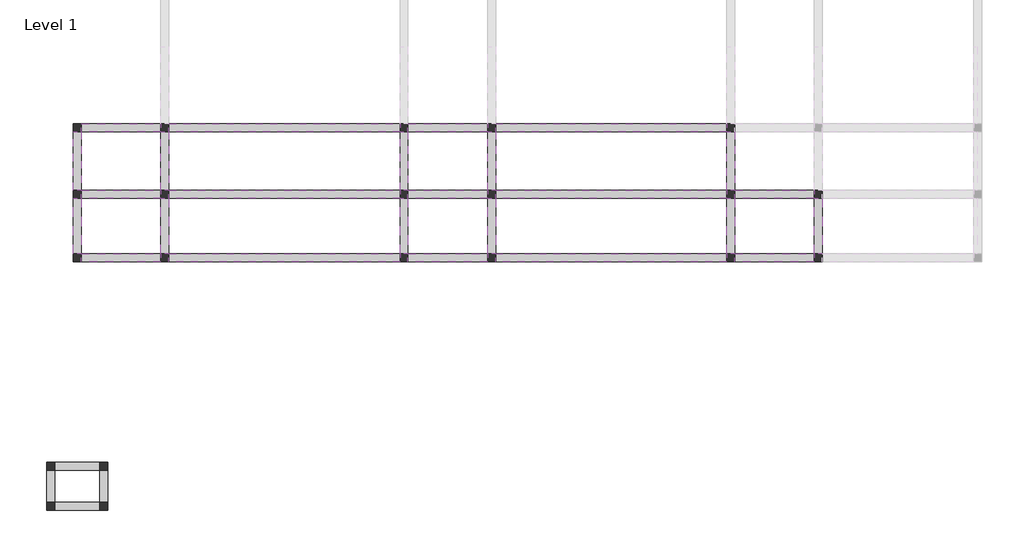
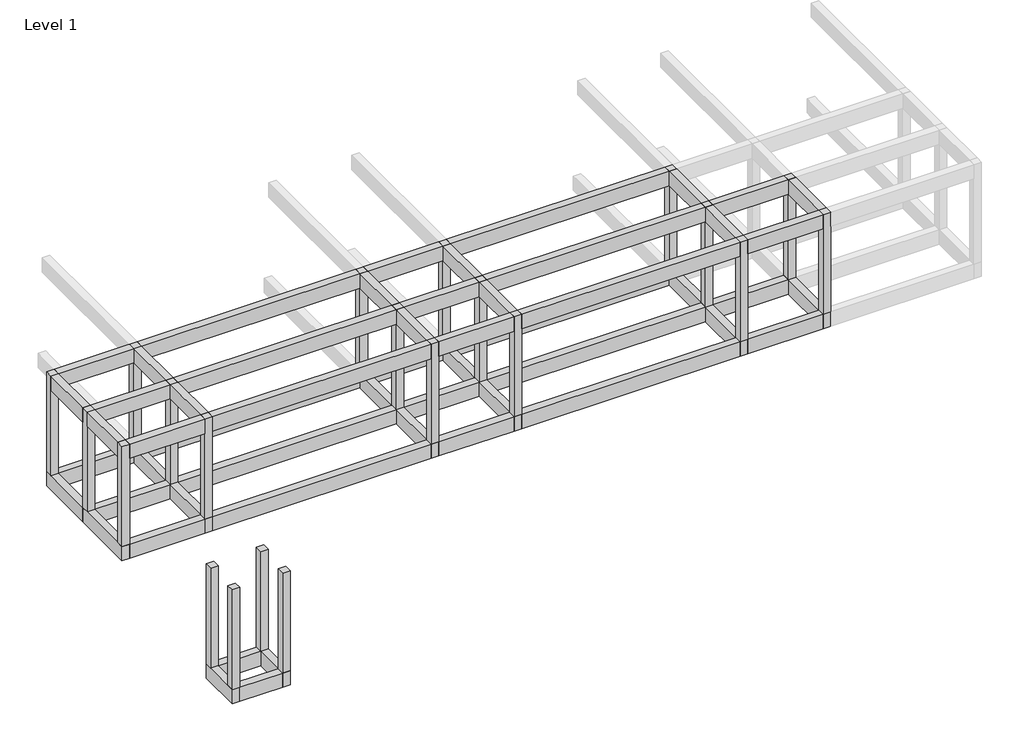
# One storey, part 1 of 5: 54 beams, 21 columns.
"""IFC4 building model written with IfcOpenShell, lengths in millimetres."""

from ifc_helpers import new_model, si_unit, frame, origin, origin_with_axes, place, context, project, spatial, polyline, outline, extrude, faceted_brep, element, save

model = new_model("IFC4")

# Units and contexts
model_context = context("Model", 3, world=origin())
ifc_project = project(units=[si_unit("LENGTHUNIT", "METRE", prefix="MILLI")], contexts=[model_context])

# Site, building, storey
site = spatial("IfcSite", under=ifc_project)
building = spatial("IfcBuilding", under=site)
storey = spatial("IfcBuildingStorey", under=building, Name="Level 1", Elevation=0.0)

# Beams
placement = place(None, origin())
element("IfcBeam", 1, ObjectType="M_Concrete-Rectangular Beam : 300 x 600mm", at=placement, inside=storey, context=model_context, shape_type="Brep", body=[
    faceted_brep([(-20004.046467, -2625.7492337, 0.0), (-20304.046467, -2625.7492337, 0.0), (-20304.046467, -2925.7492337, 0.0), (-20304.046467, -5025.7492337, 0.0), (-20304.046467, -5325.7492337, 0.0), (-20004.046467, -5325.7492337, 0.0), (-20004.046467, -5025.7492337, 0.0), (-20004.046467, -2925.7492337, 0.0), (-20004.046467, -2625.7492337, -600.0), (-20004.046467, -5325.7492337, -600.0), (-20004.046467, -5025.7492337, -600.0), (-20004.046467, -2925.7492337, -600.0), (-20304.046467, -2625.7492337, -600.0), (-20304.046467, -5325.7492337, -600.0)], [[[0, 1, 2, 3, 4, 5, 6, 7]], [[8, 0, 7, 6, 5, 9, 10, 11]], [[12, 8, 11, 10, 9, 13]], [[1, 12, 13, 4, 3, 2]], [[1, 0, 8, 12]], [[5, 4, 13, 9]]]),
])
element("IfcBeam", 2, ObjectType="M_Concrete-Rectangular Beam : 300 x 600mm", at=placement, inside=storey, context=model_context, shape_type="Brep", body=[
    faceted_brep([(-20004.046467, -125.7492337, 0.0), (-20304.046467, -125.7492337, 0.0), (-20304.046467, -425.7492337, 0.0), (-20304.046467, -2625.7492337, 0.0), (-20004.046467, -2625.7492337, 0.0), (-20004.046467, -425.7492337, 0.0), (-20004.046467, -125.7492337, -600.0), (-20004.046467, -2625.7492337, -600.0), (-20004.046467, -425.7492337, -600.0), (-20304.046467, -125.7492337, -600.0), (-20304.046467, -2625.7492337, -600.0)], [[[0, 1, 2, 3, 4, 5]], [[6, 0, 5, 4, 7, 8]], [[9, 6, 8, 7, 10]], [[1, 9, 10, 3, 2]], [[1, 0, 6, 9]], [[4, 3, 10, 7]]]),
])
element("IfcBeam", 3, ObjectType="M_Concrete-Rectangular Beam : 300 x 600mm", at=placement, inside=storey, context=model_context, shape_type="Brep", body=[
    faceted_brep([(-16704.046467, -2625.7492337, 0.0), (-17004.046467, -2625.7492337, 0.0), (-17004.046467, -2925.7492337, 0.0), (-17004.046467, -5025.7492337, 0.0), (-17004.046467, -5325.7492337, 0.0), (-16704.046467, -5325.7492337, 0.0), (-16704.046467, -5025.7492337, 0.0), (-16704.046467, -2925.7492337, 0.0), (-16704.046467, -2625.7492337, -600.0), (-16704.046467, -5325.7492337, -600.0), (-16704.046467, -5025.7492337, -600.0), (-16704.046467, -2925.7492337, -600.0), (-17004.046467, -2625.7492337, -600.0), (-17004.046467, -5325.7492337, -600.0), (-17004.046467, -5025.7492337, -600.0), (-17004.046467, -2925.7492337, -600.0)], [[[0, 1, 2, 3, 4, 5, 6, 7]], [[8, 0, 7, 6, 5, 9, 10, 11]], [[12, 8, 11, 10, 9, 13, 14, 15]], [[1, 12, 15, 14, 13, 4, 3, 2]], [[1, 0, 8, 12]], [[5, 4, 13, 9]]]),
])
element("IfcBeam", 4, ObjectType="M_Concrete-Rectangular Beam : 300 x 600mm", at=placement, inside=storey, context=model_context, shape_type="Brep", body=[
    faceted_brep([(-16704.046467, -125.7492337, 0.0), (-17004.046467, -125.7492337, 0.0), (-17004.046467, -425.7492337, 0.0), (-17004.046467, -2625.7492337, 0.0), (-16704.046467, -2625.7492337, 0.0), (-16704.046467, -425.7492337, 0.0), (-16704.046467, -125.7492337, -600.0), (-16704.046467, -2625.7492337, -600.0), (-16704.046467, -425.7492337, -600.0), (-17004.046467, -125.7492337, -600.0), (-17004.046467, -2625.7492337, -600.0), (-17004.046467, -425.7492337, -600.0)], [[[0, 1, 2, 3, 4, 5]], [[6, 0, 5, 4, 7, 8]], [[9, 6, 8, 7, 10, 11]], [[1, 9, 11, 10, 3, 2]], [[1, 0, 6, 9]], [[4, 3, 10, 7]]]),
])
element("IfcBeam", 5, ObjectType="M_Concrete-Rectangular Beam : 300 x 600mm", at=placement, inside=storey, context=model_context, shape_type="Brep", body=[
    faceted_brep([(-8004.046467, -5325.7492337, 0.0), (-7704.046467, -5325.7492337, 0.0), (-7704.046467, -5025.7492337, 0.0), (-7704.046467, -2925.7492337, 0.0), (-7704.046467, -2625.7492337, 0.0), (-8004.046467, -2625.7492337, 0.0), (-8004.046467, -2925.7492337, 0.0), (-8004.046467, -5025.7492337, 0.0), (-7704.046467, -5325.7492337, -600.0), (-7704.046467, -5025.7492337, -600.0), (-7704.046467, -2925.7492337, -600.0), (-7704.046467, -2625.7492337, -600.0), (-8004.046467, -5325.7492337, -600.0), (-8004.046467, -5025.7492337, -600.0), (-8004.046467, -2925.7492337, -600.0), (-8004.046467, -2625.7492337, -600.0)], [[[0, 1, 2, 3, 4, 5, 6, 7]], [[1, 8, 9, 10, 11, 4, 3, 2]], [[8, 12, 13, 14, 15, 11, 10, 9]], [[12, 0, 7, 6, 5, 15, 14, 13]], [[1, 0, 12, 8]], [[5, 4, 11, 15]]]),
])
element("IfcBeam", 6, ObjectType="M_Concrete-Rectangular Beam : 300 x 600mm", at=placement, inside=storey, context=model_context, shape_type="Brep", body=[
    faceted_brep([(-7704.046467, -125.7492337, 0.0), (-8004.046467, -125.7492337, 0.0), (-8004.046467, -425.7492337, 0.0), (-8004.046467, -2625.7492337, 0.0), (-7704.046467, -2625.7492337, 0.0), (-7704.046467, -425.7492337, 0.0), (-7704.046467, -125.7492337, -600.0), (-7704.046467, -2625.7492337, -600.0), (-7704.046467, -425.7492337, -600.0), (-8004.046467, -125.7492337, -600.0), (-8004.046467, -2625.7492337, -600.0), (-8004.046467, -425.7492337, -600.0)], [[[0, 1, 2, 3, 4, 5]], [[6, 0, 5, 4, 7, 8]], [[9, 6, 8, 7, 10, 11]], [[1, 9, 11, 10, 3, 2]], [[1, 0, 6, 9]], [[4, 3, 10, 7]]]),
])
element("IfcBeam", 7, ObjectType="M_Concrete-Rectangular Beam : 300 x 600mm", at=placement, inside=storey, context=model_context, shape_type="Brep", body=[
    faceted_brep([(-4704.046467, -5325.7492337, 0.0), (-4404.046467, -5325.7492337, 0.0), (-4404.046467, -5025.7492337, 0.0), (-4404.046467, -2925.7492337, 0.0), (-4404.046467, -2625.7492337, 0.0), (-4704.046467, -2625.7492337, 0.0), (-4704.046467, -2925.7492337, 0.0), (-4704.046467, -5025.7492337, 0.0), (-4404.046467, -5325.7492337, -600.0), (-4404.046467, -5025.7492337, -600.0), (-4404.046467, -2925.7492337, -600.0), (-4404.046467, -2625.7492337, -600.0), (-4704.046467, -5325.7492337, -600.0), (-4704.046467, -5025.7492337, -600.0), (-4704.046467, -2925.7492337, -600.0), (-4704.046467, -2625.7492337, -600.0)], [[[0, 1, 2, 3, 4, 5, 6, 7]], [[1, 8, 9, 10, 11, 4, 3, 2]], [[8, 12, 13, 14, 15, 11, 10, 9]], [[12, 0, 7, 6, 5, 15, 14, 13]], [[1, 0, 12, 8]], [[5, 4, 11, 15]]]),
])
element("IfcBeam", 8, ObjectType="M_Concrete-Rectangular Beam : 300 x 600mm", at=placement, inside=storey, context=model_context, shape_type="Brep", body=[
    faceted_brep([(-4404.046467, -125.7492337, 0.0), (-4704.046467, -125.7492337, 0.0), (-4704.046467, -425.7492337, 0.0), (-4704.046467, -2625.7492337, 0.0), (-4404.046467, -2625.7492337, 0.0), (-4404.046467, -425.7492337, 0.0), (-4404.046467, -125.7492337, -600.0), (-4404.046467, -2625.7492337, -600.0), (-4404.046467, -425.7492337, -600.0), (-4704.046467, -125.7492337, -600.0), (-4704.046467, -2625.7492337, -600.0), (-4704.046467, -425.7492337, -600.0)], [[[0, 1, 2, 3, 4, 5]], [[6, 0, 5, 4, 7, 8]], [[9, 6, 8, 7, 10, 11]], [[1, 9, 11, 10, 3, 2]], [[1, 0, 6, 9]], [[4, 3, 10, 7]]]),
])
element("IfcBeam", 9, ObjectType="M_Concrete-Rectangular Beam : 300 x 600mm", at=placement, inside=storey, context=model_context, shape_type="Brep", body=[
    faceted_brep([(4595.953533, -2625.7492337, 0.0), (4295.953533, -2625.7492337, 0.0), (4295.953533, -2925.7492337, 0.0), (4295.953533, -5025.7492337, 0.0), (4295.953533, -5325.7492337, 0.0), (4595.953533, -5325.7492337, 0.0), (4595.953533, -5025.7492337, 0.0), (4595.953533, -2925.7492337, 0.0), (4595.953533, -2625.7492337, -600.0), (4595.953533, -5325.7492337, -600.0), (4595.953533, -5025.7492337, -600.0), (4595.953533, -2925.7492337, -600.0), (4295.953533, -2625.7492337, -600.0), (4295.953533, -5325.7492337, -600.0), (4295.953533, -5025.7492337, -600.0), (4295.953533, -2925.7492337, -600.0)], [[[0, 1, 2, 3, 4, 5, 6, 7]], [[8, 0, 7, 6, 5, 9, 10, 11]], [[12, 8, 11, 10, 9, 13, 14, 15]], [[1, 12, 15, 14, 13, 4, 3, 2]], [[1, 0, 8, 12]], [[5, 4, 13, 9]]]),
])
element("IfcBeam", 10, ObjectType="M_Concrete-Rectangular Beam : 300 x 600mm", at=placement, inside=storey, context=model_context, shape_type="Brep", body=[
    faceted_brep([(4595.953533, -125.7492337, 0.0), (4295.953533, -125.7492337, 0.0), (4295.953533, -425.7492337, 0.0), (4295.953533, -2625.7492337, 0.0), (4595.953533, -2625.7492337, 0.0), (4595.953533, -425.7492337, 0.0), (4595.953533, -125.7492337, -600.0), (4595.953533, -2625.7492337, -600.0), (4595.953533, -425.7492337, -600.0), (4295.953533, -125.7492337, -600.0), (4295.953533, -2625.7492337, -600.0), (4295.953533, -425.7492337, -600.0)], [[[0, 1, 2, 3, 4, 5]], [[6, 0, 5, 4, 7, 8]], [[9, 6, 8, 7, 10, 11]], [[1, 9, 11, 10, 3, 2]], [[1, 0, 6, 9]], [[4, 3, 10, 7]]]),
])
element("IfcBeam", 11, ObjectType="M_Concrete-Rectangular Beam : 300 x 600mm", at=placement, inside=storey, context=model_context, shape_type="Brep", body=[
    faceted_brep([(7895.953533, -2625.7492337, 0.0), (7595.953533, -2625.7492337, 0.0), (7595.953533, -2925.7492337, 0.0), (7595.953533, -5025.7492337, 0.0), (7595.953533, -5325.7492337, 0.0), (7895.953533, -5325.7492337, 0.0), (7895.953533, -5025.7492337, 0.0), (7895.953533, -2925.7492337, 0.0), (7895.953533, -2625.7492337, -600.0), (7895.953533, -5325.7492337, -600.0), (7895.953533, -5025.7492337, -600.0), (7895.953533, -2925.7492337, -600.0), (7595.953533, -2625.7492337, -600.0), (7595.953533, -5325.7492337, -600.0), (7595.953533, -5025.7492337, -600.0), (7595.953533, -2925.7492337, -600.0)], [[[0, 1, 2, 3, 4, 5, 6, 7]], [[8, 0, 7, 6, 5, 9, 10, 11]], [[12, 8, 11, 10, 9, 13, 14, 15]], [[1, 12, 15, 14, 13, 4, 3, 2]], [[1, 0, 8, 12]], [[5, 4, 13, 9]]]),
])
element("IfcBeam", 12, ObjectType="M_Concrete-Rectangular Beam : 300 x 600mm", at=placement, inside=storey, context=model_context, shape_type="SweptSolid", body=[
    extrude(outline(polyline([(-20004.046467, -425.7492337), (-20004.046467, -125.7492337), (-17004.046467, -125.7492337), (-17004.046467, -425.7492337), (-20004.046467, -425.7492337)])), frame((0.0, 0.0, -600.0), z_axis=(0.0, 0.0, 1.0), x_axis=(1.0, 0.0, 0.0)), (0.0, 0.0, 1.0), 600.0),
])
element("IfcBeam", 13, ObjectType="M_Concrete-Rectangular Beam : 300 x 600mm", at=placement, inside=storey, context=model_context, shape_type="SweptSolid", body=[
    extrude(outline(polyline([(-16704.046467, -425.7492337), (-16704.046467, -125.7492337), (-8004.046467, -125.7492337), (-8004.046467, -425.7492337), (-16704.046467, -425.7492337)])), frame((0.0, 0.0, -600.0), z_axis=(0.0, 0.0, 1.0), x_axis=(1.0, 0.0, 0.0)), (0.0, 0.0, 1.0), 600.0),
])
element("IfcBeam", 14, ObjectType="M_Concrete-Rectangular Beam : 300 x 600mm", at=placement, inside=storey, context=model_context, shape_type="SweptSolid", body=[
    extrude(outline(polyline([(-7704.046467, -425.7492337), (-7704.046467, -125.7492337), (-4704.046467, -125.7492337), (-4704.046467, -425.7492337), (-7704.046467, -425.7492337)])), frame((0.0, 0.0, -600.0), z_axis=(0.0, 0.0, 1.0), x_axis=(1.0, 0.0, 0.0)), (0.0, 0.0, 1.0), 600.0),
])
element("IfcBeam", 15, ObjectType="M_Concrete-Rectangular Beam : 300 x 600mm", at=placement, inside=storey, context=model_context, shape_type="SweptSolid", body=[
    extrude(outline(polyline([(-4404.046467, -425.7492337), (-4404.046467, -125.7492337), (4295.953533, -125.7492337), (4295.953533, -425.7492337), (-4404.046467, -425.7492337)])), frame((0.0, 0.0, -600.0), z_axis=(0.0, 0.0, 1.0), x_axis=(1.0, 0.0, 0.0)), (0.0, 0.0, 1.0), 600.0),
])
element("IfcBeam", 16, ObjectType="M_Concrete-Rectangular Beam : 300 x 600mm", at=placement, inside=storey, context=model_context, shape_type="SweptSolid", body=[
    extrude(outline(polyline([(-20004.046467, -2925.7492337), (-20004.046467, -2625.7492337), (-17004.046467, -2625.7492337), (-17004.046467, -2925.7492337), (-20004.046467, -2925.7492337)])), frame((0.0, 0.0, -600.0), z_axis=(0.0, 0.0, 1.0), x_axis=(1.0, 0.0, 0.0)), (0.0, 0.0, 1.0), 600.0),
])
element("IfcBeam", 17, ObjectType="M_Concrete-Rectangular Beam : 300 x 600mm", at=placement, inside=storey, context=model_context, shape_type="SweptSolid", body=[
    extrude(outline(polyline([(-16704.046467, -2925.7492337), (-16704.046467, -2625.7492337), (-8004.046467, -2625.7492337), (-8004.046467, -2925.7492337), (-16704.046467, -2925.7492337)])), frame((0.0, 0.0, -600.0), z_axis=(0.0, 0.0, 1.0), x_axis=(1.0, 0.0, 0.0)), (0.0, 0.0, 1.0), 600.0),
])
element("IfcBeam", 18, ObjectType="M_Concrete-Rectangular Beam : 300 x 600mm", at=placement, inside=storey, context=model_context, shape_type="SweptSolid", body=[
    extrude(outline(polyline([(-7704.046467, -2925.7492337), (-7704.046467, -2625.7492337), (-4704.046467, -2625.7492337), (-4704.046467, -2925.7492337), (-7704.046467, -2925.7492337)])), frame((0.0, 0.0, -600.0), z_axis=(0.0, 0.0, 1.0), x_axis=(1.0, 0.0, 0.0)), (0.0, 0.0, 1.0), 600.0),
])
element("IfcBeam", 19, ObjectType="M_Concrete-Rectangular Beam : 300 x 600mm", at=placement, inside=storey, context=model_context, shape_type="SweptSolid", body=[
    extrude(outline(polyline([(-4404.046467, -2925.7492337), (-4404.046467, -2625.7492337), (4295.953533, -2625.7492337), (4295.953533, -2925.7492337), (-4404.046467, -2925.7492337)])), frame((0.0, 0.0, -600.0), z_axis=(0.0, 0.0, 1.0), x_axis=(1.0, 0.0, 0.0)), (0.0, 0.0, 1.0), 600.0),
])
element("IfcBeam", 20, ObjectType="M_Concrete-Rectangular Beam : 300 x 600mm", at=placement, inside=storey, context=model_context, shape_type="SweptSolid", body=[
    extrude(outline(polyline([(4595.953533, -2925.7492337), (4595.953533, -2625.7492337), (7595.953533, -2625.7492337), (7595.953533, -2925.7492337), (4595.953533, -2925.7492337)])), frame((0.0, 0.0, -600.0), z_axis=(0.0, 0.0, 1.0), x_axis=(1.0, 0.0, 0.0)), (0.0, 0.0, 1.0), 600.0),
])
element("IfcBeam", 21, ObjectType="M_Concrete-Rectangular Beam : 300 x 600mm", at=placement, inside=storey, context=model_context, shape_type="SweptSolid", body=[
    extrude(outline(polyline([(-20004.046467, -5325.7492337), (-20004.046467, -5025.7492337), (-17004.046467, -5025.7492337), (-17004.046467, -5325.7492337), (-20004.046467, -5325.7492337)])), frame((0.0, 0.0, -600.0), z_axis=(0.0, 0.0, 1.0), x_axis=(1.0, 0.0, 0.0)), (0.0, 0.0, 1.0), 600.0),
])
element("IfcBeam", 22, ObjectType="M_Concrete-Rectangular Beam : 300 x 600mm", at=placement, inside=storey, context=model_context, shape_type="SweptSolid", body=[
    extrude(outline(polyline([(-16704.046467, -5325.7492337), (-16704.046467, -5025.7492337), (-8004.046467, -5025.7492337), (-8004.046467, -5325.7492337), (-16704.046467, -5325.7492337)])), frame((0.0, 0.0, -600.0), z_axis=(0.0, 0.0, 1.0), x_axis=(1.0, 0.0, 0.0)), (0.0, 0.0, 1.0), 600.0),
])
element("IfcBeam", 23, ObjectType="M_Concrete-Rectangular Beam : 300 x 600mm", at=placement, inside=storey, context=model_context, shape_type="SweptSolid", body=[
    extrude(outline(polyline([(-7704.046467, -5325.7492337), (-7704.046467, -5025.7492337), (-4704.046467, -5025.7492337), (-4704.046467, -5325.7492337), (-7704.046467, -5325.7492337)])), frame((0.0, 0.0, -600.0), z_axis=(0.0, 0.0, 1.0), x_axis=(1.0, 0.0, 0.0)), (0.0, 0.0, 1.0), 600.0),
])
element("IfcBeam", 24, ObjectType="M_Concrete-Rectangular Beam : 300 x 600mm", at=placement, inside=storey, context=model_context, shape_type="SweptSolid", body=[
    extrude(outline(polyline([(-4404.046467, -5325.7492337), (-4404.046467, -5025.7492337), (4295.953533, -5025.7492337), (4295.953533, -5325.7492337), (-4404.046467, -5325.7492337)])), frame((0.0, 0.0, -600.0), z_axis=(0.0, 0.0, 1.0), x_axis=(1.0, 0.0, 0.0)), (0.0, 0.0, 1.0), 600.0),
])
element("IfcBeam", 25, ObjectType="M_Concrete-Rectangular Beam : 300 x 600mm", at=placement, inside=storey, context=model_context, shape_type="SweptSolid", body=[
    extrude(outline(polyline([(4595.953533, -5325.7492337), (4595.953533, -5025.7492337), (7595.953533, -5025.7492337), (7595.953533, -5325.7492337), (4595.953533, -5325.7492337)])), frame((0.0, 0.0, -600.0), z_axis=(0.0, 0.0, 1.0), x_axis=(1.0, 0.0, 0.0)), (0.0, 0.0, 1.0), 600.0),
])
element("IfcBeam", 26, ObjectType="M_Concrete-Rectangular Beam : 300 x 600mm", at=placement, inside=storey, context=model_context, shape_type="SweptSolid", body=[
    extrude(outline(polyline([(-20304.046467, -2925.7492337), (-20004.046467, -2925.7492337), (-20004.046467, -5025.7492337), (-20304.046467, -5025.7492337), (-20304.046467, -2925.7492337)])), frame((0.0, 0.0, 3600.0), z_axis=(0.0, 0.0, 1.0), x_axis=(1.0, 0.0, 0.0)), (0.0, 0.0, 1.0), 600.0),
])
element("IfcBeam", 27, ObjectType="M_Concrete-Rectangular Beam : 300 x 600mm", at=placement, inside=storey, context=model_context, shape_type="SweptSolid", body=[
    extrude(outline(polyline([(-20304.046467, -425.7492337), (-20004.046467, -425.7492337), (-20004.046467, -2625.7492337), (-20304.046467, -2625.7492337), (-20304.046467, -425.7492337)])), frame((0.0, 0.0, 3600.0), z_axis=(0.0, 0.0, 1.0), x_axis=(1.0, 0.0, 0.0)), (0.0, 0.0, 1.0), 600.0),
])
element("IfcBeam", 28, ObjectType="M_Concrete-Rectangular Beam : 300 x 600mm", at=placement, inside=storey, context=model_context, shape_type="SweptSolid", body=[
    extrude(outline(polyline([(-17004.046467, -2925.7492337), (-16704.046467, -2925.7492337), (-16704.046467, -5025.7492337), (-17004.046467, -5025.7492337), (-17004.046467, -2925.7492337)])), frame((0.0, 0.0, 3600.0), z_axis=(0.0, 0.0, 1.0), x_axis=(1.0, 0.0, 0.0)), (0.0, 0.0, 1.0), 600.0),
])
element("IfcBeam", 29, ObjectType="M_Concrete-Rectangular Beam : 300 x 600mm", at=placement, inside=storey, context=model_context, shape_type="SweptSolid", body=[
    extrude(outline(polyline([(-17004.046467, -425.7492337), (-16704.046467, -425.7492337), (-16704.046467, -2625.7492337), (-17004.046467, -2625.7492337), (-17004.046467, -425.7492337)])), frame((0.0, 0.0, 3600.0), z_axis=(0.0, 0.0, 1.0), x_axis=(1.0, 0.0, 0.0)), (0.0, 0.0, 1.0), 600.0),
])
element("IfcBeam", 30, ObjectType="M_Concrete-Rectangular Beam : 300 x 600mm", at=placement, inside=storey, context=model_context, shape_type="SweptSolid", body=[
    extrude(outline(polyline([(-8004.046467, -2925.7492337), (-7704.046467, -2925.7492337), (-7704.046467, -5025.7492337), (-8004.046467, -5025.7492337), (-8004.046467, -2925.7492337)])), frame((0.0, 0.0, 3600.0), z_axis=(0.0, 0.0, 1.0), x_axis=(1.0, 0.0, 0.0)), (0.0, 0.0, 1.0), 600.0),
])
element("IfcBeam", 31, ObjectType="M_Concrete-Rectangular Beam : 300 x 600mm", at=placement, inside=storey, context=model_context, shape_type="SweptSolid", body=[
    extrude(outline(polyline([(-8004.046467, -425.7492337), (-7704.046467, -425.7492337), (-7704.046467, -2625.7492337), (-8004.046467, -2625.7492337), (-8004.046467, -425.7492337)])), frame((0.0, 0.0, 3600.0), z_axis=(0.0, 0.0, 1.0), x_axis=(1.0, 0.0, 0.0)), (0.0, 0.0, 1.0), 600.0),
])
element("IfcBeam", 32, ObjectType="M_Concrete-Rectangular Beam : 300 x 600mm", at=placement, inside=storey, context=model_context, shape_type="SweptSolid", body=[
    extrude(outline(polyline([(-4704.046467, -2925.7492337), (-4404.046467, -2925.7492337), (-4404.046467, -5025.7492337), (-4704.046467, -5025.7492337), (-4704.046467, -2925.7492337)])), frame((0.0, 0.0, 3600.0), z_axis=(0.0, 0.0, 1.0), x_axis=(1.0, 0.0, 0.0)), (0.0, 0.0, 1.0), 600.0),
])
element("IfcBeam", 33, ObjectType="M_Concrete-Rectangular Beam : 300 x 600mm", at=placement, inside=storey, context=model_context, shape_type="SweptSolid", body=[
    extrude(outline(polyline([(-4704.046467, -425.7492337), (-4404.046467, -425.7492337), (-4404.046467, -2625.7492337), (-4704.046467, -2625.7492337), (-4704.046467, -425.7492337)])), frame((0.0, 0.0, 3600.0), z_axis=(0.0, 0.0, 1.0), x_axis=(1.0, 0.0, 0.0)), (0.0, 0.0, 1.0), 600.0),
])
element("IfcBeam", 34, ObjectType="M_Concrete-Rectangular Beam : 300 x 600mm", at=placement, inside=storey, context=model_context, shape_type="SweptSolid", body=[
    extrude(outline(polyline([(4295.953533, -2925.7492337), (4595.953533, -2925.7492337), (4595.953533, -5025.7492337), (4295.953533, -5025.7492337), (4295.953533, -2925.7492337)])), frame((0.0, 0.0, 3600.0), z_axis=(0.0, 0.0, 1.0), x_axis=(1.0, 0.0, 0.0)), (0.0, 0.0, 1.0), 600.0),
])
element("IfcBeam", 35, ObjectType="M_Concrete-Rectangular Beam : 300 x 600mm", at=placement, inside=storey, context=model_context, shape_type="SweptSolid", body=[
    extrude(outline(polyline([(4295.953533, -425.7492337), (4595.953533, -425.7492337), (4595.953533, -2625.7492337), (4295.953533, -2625.7492337), (4295.953533, -425.7492337)])), frame((0.0, 0.0, 3600.0), z_axis=(0.0, 0.0, 1.0), x_axis=(1.0, 0.0, 0.0)), (0.0, 0.0, 1.0), 600.0),
])
element("IfcBeam", 36, ObjectType="M_Concrete-Rectangular Beam : 300 x 600mm", at=placement, inside=storey, context=model_context, shape_type="SweptSolid", body=[
    extrude(outline(polyline([(7595.953533, -2925.7492337), (7895.953533, -2925.7492337), (7895.953533, -5025.7492337), (7595.953533, -5025.7492337), (7595.953533, -2925.7492337)])), frame((0.0, 0.0, 3600.0), z_axis=(0.0, 0.0, 1.0), x_axis=(1.0, 0.0, 0.0)), (0.0, 0.0, 1.0), 600.0),
])
element("IfcBeam", 37, ObjectType="M_Concrete-Rectangular Beam : 300 x 600mm", at=placement, inside=storey, context=model_context, shape_type="SweptSolid", body=[
    extrude(outline(polyline([(-20004.046467, -425.7492337), (-20004.046467, -125.7492337), (-17004.046467, -125.7492337), (-17004.046467, -425.7492337), (-20004.046467, -425.7492337)])), frame((0.0, 0.0, 3600.0), z_axis=(0.0, 0.0, 1.0), x_axis=(1.0, 0.0, 0.0)), (0.0, 0.0, 1.0), 600.0),
])
element("IfcBeam", 38, ObjectType="M_Concrete-Rectangular Beam : 300 x 600mm", at=placement, inside=storey, context=model_context, shape_type="SweptSolid", body=[
    extrude(outline(polyline([(-16704.046467, -425.7492337), (-16704.046467, -125.7492337), (-8004.046467, -125.7492337), (-8004.046467, -425.7492337), (-16704.046467, -425.7492337)])), frame((0.0, 0.0, 3600.0), z_axis=(0.0, 0.0, 1.0), x_axis=(1.0, 0.0, 0.0)), (0.0, 0.0, 1.0), 600.0),
])
element("IfcBeam", 39, ObjectType="M_Concrete-Rectangular Beam : 300 x 600mm", at=placement, inside=storey, context=model_context, shape_type="SweptSolid", body=[
    extrude(outline(polyline([(-7704.046467, -425.7492337), (-7704.046467, -125.7492337), (-4704.046467, -125.7492337), (-4704.046467, -425.7492337), (-7704.046467, -425.7492337)])), frame((0.0, 0.0, 3600.0), z_axis=(0.0, 0.0, 1.0), x_axis=(1.0, 0.0, 0.0)), (0.0, 0.0, 1.0), 600.0),
])
element("IfcBeam", 40, ObjectType="M_Concrete-Rectangular Beam : 300 x 600mm", at=placement, inside=storey, context=model_context, shape_type="SweptSolid", body=[
    extrude(outline(polyline([(-4404.046467, -425.7492337), (-4404.046467, -125.7492337), (4295.953533, -125.7492337), (4295.953533, -425.7492337), (-4404.046467, -425.7492337)])), frame((0.0, 0.0, 3600.0), z_axis=(0.0, 0.0, 1.0), x_axis=(1.0, 0.0, 0.0)), (0.0, 0.0, 1.0), 600.0),
])
element("IfcBeam", 41, ObjectType="M_Concrete-Rectangular Beam : 300 x 600mm", at=placement, inside=storey, context=model_context, shape_type="SweptSolid", body=[
    extrude(outline(polyline([(-20004.046467, -2925.7492337), (-20004.046467, -2625.7492337), (-17004.046467, -2625.7492337), (-17004.046467, -2925.7492337), (-20004.046467, -2925.7492337)])), frame((0.0, 0.0, 3600.0), z_axis=(0.0, 0.0, 1.0), x_axis=(1.0, 0.0, 0.0)), (0.0, 0.0, 1.0), 600.0),
])
element("IfcBeam", 42, ObjectType="M_Concrete-Rectangular Beam : 300 x 600mm", at=placement, inside=storey, context=model_context, shape_type="SweptSolid", body=[
    extrude(outline(polyline([(-16704.046467, -2925.7492337), (-16704.046467, -2625.7492337), (-8004.046467, -2625.7492337), (-8004.046467, -2925.7492337), (-16704.046467, -2925.7492337)])), frame((0.0, 0.0, 3600.0), z_axis=(0.0, 0.0, 1.0), x_axis=(1.0, 0.0, 0.0)), (0.0, 0.0, 1.0), 600.0),
])
element("IfcBeam", 43, ObjectType="M_Concrete-Rectangular Beam : 300 x 600mm", at=placement, inside=storey, context=model_context, shape_type="SweptSolid", body=[
    extrude(outline(polyline([(-7704.046467, -2925.7492337), (-7704.046467, -2625.7492337), (-4704.046467, -2625.7492337), (-4704.046467, -2925.7492337), (-7704.046467, -2925.7492337)])), frame((0.0, 0.0, 3600.0), z_axis=(0.0, 0.0, 1.0), x_axis=(1.0, 0.0, 0.0)), (0.0, 0.0, 1.0), 600.0),
])
element("IfcBeam", 44, ObjectType="M_Concrete-Rectangular Beam : 300 x 600mm", at=placement, inside=storey, context=model_context, shape_type="SweptSolid", body=[
    extrude(outline(polyline([(-4404.046467, -2925.7492337), (-4404.046467, -2625.7492337), (4295.953533, -2625.7492337), (4295.953533, -2925.7492337), (-4404.046467, -2925.7492337)])), frame((0.0, 0.0, 3600.0), z_axis=(0.0, 0.0, 1.0), x_axis=(1.0, 0.0, 0.0)), (0.0, 0.0, 1.0), 600.0),
])
element("IfcBeam", 45, ObjectType="M_Concrete-Rectangular Beam : 300 x 600mm", at=placement, inside=storey, context=model_context, shape_type="SweptSolid", body=[
    extrude(outline(polyline([(4595.953533, -2925.7492337), (4595.953533, -2625.7492337), (7595.953533, -2625.7492337), (7595.953533, -2925.7492337), (4595.953533, -2925.7492337)])), frame((0.0, 0.0, 3600.0), z_axis=(0.0, 0.0, 1.0), x_axis=(1.0, 0.0, 0.0)), (0.0, 0.0, 1.0), 600.0),
])
element("IfcBeam", 46, ObjectType="M_Concrete-Rectangular Beam : 300 x 600mm", at=placement, inside=storey, context=model_context, shape_type="SweptSolid", body=[
    extrude(outline(polyline([(-20004.046467, -5325.7492337), (-20004.046467, -5025.7492337), (-17004.046467, -5025.7492337), (-17004.046467, -5325.7492337), (-20004.046467, -5325.7492337)])), frame((0.0, 0.0, 3600.0), z_axis=(0.0, 0.0, 1.0), x_axis=(1.0, 0.0, 0.0)), (0.0, 0.0, 1.0), 600.0),
])
element("IfcBeam", 47, ObjectType="M_Concrete-Rectangular Beam : 300 x 600mm", at=placement, inside=storey, context=model_context, shape_type="SweptSolid", body=[
    extrude(outline(polyline([(-16704.046467, -5325.7492337), (-16704.046467, -5025.7492337), (-8004.046467, -5025.7492337), (-8004.046467, -5325.7492337), (-16704.046467, -5325.7492337)])), frame((0.0, 0.0, 3600.0), z_axis=(0.0, 0.0, 1.0), x_axis=(1.0, 0.0, 0.0)), (0.0, 0.0, 1.0), 600.0),
])
element("IfcBeam", 48, ObjectType="M_Concrete-Rectangular Beam : 300 x 600mm", at=placement, inside=storey, context=model_context, shape_type="SweptSolid", body=[
    extrude(outline(polyline([(-7704.046467, -5325.7492337), (-7704.046467, -5025.7492337), (-4704.046467, -5025.7492337), (-4704.046467, -5325.7492337), (-7704.046467, -5325.7492337)])), frame((0.0, 0.0, 3600.0), z_axis=(0.0, 0.0, 1.0), x_axis=(1.0, 0.0, 0.0)), (0.0, 0.0, 1.0), 600.0),
])
element("IfcBeam", 49, ObjectType="M_Concrete-Rectangular Beam : 300 x 600mm", at=placement, inside=storey, context=model_context, shape_type="SweptSolid", body=[
    extrude(outline(polyline([(-4404.046467, -5325.7492337), (-4404.046467, -5025.7492337), (4295.953533, -5025.7492337), (4295.953533, -5325.7492337), (-4404.046467, -5325.7492337)])), frame((0.0, 0.0, 3600.0), z_axis=(0.0, 0.0, 1.0), x_axis=(1.0, 0.0, 0.0)), (0.0, 0.0, 1.0), 600.0),
])
element("IfcBeam", 50, ObjectType="M_Concrete-Rectangular Beam : 300 x 600mm", at=placement, inside=storey, context=model_context, shape_type="SweptSolid", body=[
    extrude(outline(polyline([(4595.953533, -5325.7492337), (4595.953533, -5025.7492337), (7595.953533, -5025.7492337), (7595.953533, -5325.7492337), (4595.953533, -5325.7492337)])), frame((0.0, 0.0, 3600.0), z_axis=(0.0, 0.0, 1.0), x_axis=(1.0, 0.0, 0.0)), (0.0, 0.0, 1.0), 600.0),
])
element("IfcBeam", 51, ObjectType="M_Concrete-Rectangular Beam : 300 x 600mm", at=placement, inside=storey, context=model_context, shape_type="Brep", body=[
    faceted_brep([(-21312.8689176, -14675.6152303, 0.0), (-21012.8689176, -14675.6152303, 0.0), (-21012.8689176, -14375.6152303, 0.0), (-21012.8689176, -13175.6152303, 0.0), (-21012.8689176, -12875.6152303, 0.0), (-21312.8689176, -12875.6152303, 0.0), (-21312.8689176, -13175.6152303, 0.0), (-21312.8689176, -14375.6152303, 0.0), (-21012.8689176, -14675.6152303, -600.0), (-21012.8689176, -14375.6152303, -600.0), (-21012.8689176, -13175.6152303, -600.0), (-21012.8689176, -12875.6152303, -600.0), (-21312.8689176, -14675.6152303, -600.0), (-21312.8689176, -12875.6152303, -600.0)], [[[0, 1, 2, 3, 4, 5, 6, 7]], [[1, 8, 9, 10, 11, 4, 3, 2]], [[8, 12, 13, 11, 10, 9]], [[12, 0, 7, 6, 5, 13]], [[1, 0, 12, 8]], [[5, 4, 11, 13]]]),
])
element("IfcBeam", 52, ObjectType="M_Concrete-Rectangular Beam : 300 x 600mm", at=placement, inside=storey, context=model_context, shape_type="Brep", body=[
    faceted_brep([(-19312.8689176, -14675.6152303, 0.0), (-19012.8689176, -14675.6152303, 0.0), (-19012.8689176, -14375.6152303, 0.0), (-19012.8689176, -13175.6152303, 0.0), (-19012.8689176, -12875.6152303, 0.0), (-19312.8689176, -12875.6152303, 0.0), (-19312.8689176, -13175.6152303, 0.0), (-19312.8689176, -14375.6152303, 0.0), (-19012.8689176, -14675.6152303, -600.0), (-19012.8689176, -12875.6152303, -600.0), (-19312.8689176, -14675.6152303, -600.0), (-19312.8689176, -14375.6152303, -600.0), (-19312.8689176, -13175.6152303, -600.0), (-19312.8689176, -12875.6152303, -600.0)], [[[0, 1, 2, 3, 4, 5, 6, 7]], [[1, 8, 9, 4, 3, 2]], [[8, 10, 11, 12, 13, 9]], [[10, 0, 7, 6, 5, 13, 12, 11]], [[1, 0, 10, 8]], [[5, 4, 9, 13]]]),
])
element("IfcBeam", 53, ObjectType="M_Concrete-Rectangular Beam : 300 x 600mm", at=placement, inside=storey, context=model_context, shape_type="SweptSolid", body=[
    extrude(outline(polyline([(-21012.8689176, -14675.6152303), (-21012.8689176, -14375.6152303), (-19312.8689176, -14375.6152303), (-19312.8689176, -14675.6152303), (-21012.8689176, -14675.6152303)])), frame((0.0, 0.0, -600.0), z_axis=(0.0, 0.0, 1.0), x_axis=(1.0, 0.0, 0.0)), (0.0, 0.0, 1.0), 600.0),
])
element("IfcBeam", 54, ObjectType="M_Concrete-Rectangular Beam : 300 x 600mm", at=placement, inside=storey, context=model_context, shape_type="SweptSolid", body=[
    extrude(outline(polyline([(-21012.8689176, -13175.6152303), (-21012.8689176, -12875.6152303), (-19312.8689176, -12875.6152303), (-19312.8689176, -13175.6152303), (-21012.8689176, -13175.6152303)])), frame((0.0, 0.0, -600.0), z_axis=(0.0, 0.0, 1.0), x_axis=(1.0, 0.0, 0.0)), (0.0, 0.0, 1.0), 600.0),
])

# Columns
element("IfcColumn", 55, ObjectType="M_Concrete-Square-Column : 300 x 300mm", at=placement, inside=storey, context=model_context, shape_type="SweptSolid", body=[
    extrude(outline(polyline([(-20004.046467, -125.7492337), (-20004.046467, -425.7492337), (-20304.046467, -425.7492337), (-20304.046467, -125.7492337), (-20004.046467, -125.7492337)])), origin_with_axes(), (0.0, 0.0, 1.0), 4200.0),
])
element("IfcColumn", 56, ObjectType="M_Concrete-Square-Column : 300 x 300mm", at=placement, inside=storey, context=model_context, shape_type="SweptSolid", body=[
    extrude(outline(polyline([(-20004.046467, -2625.7492337), (-20004.046467, -2925.7492337), (-20304.046467, -2925.7492337), (-20304.046467, -2625.7492337), (-20004.046467, -2625.7492337)])), origin_with_axes(), (0.0, 0.0, 1.0), 4200.0),
])
element("IfcColumn", 57, ObjectType="M_Concrete-Square-Column : 300 x 300mm", at=placement, inside=storey, context=model_context, shape_type="SweptSolid", body=[
    extrude(outline(polyline([(-20004.046467, -5025.7492337), (-20004.046467, -5325.7492337), (-20304.046467, -5325.7492337), (-20304.046467, -5025.7492337), (-20004.046467, -5025.7492337)])), origin_with_axes(), (0.0, 0.0, 1.0), 4200.0),
])
element("IfcColumn", 58, ObjectType="M_Concrete-Square-Column : 300 x 300mm", at=placement, inside=storey, context=model_context, shape_type="SweptSolid", body=[
    extrude(outline(polyline([(-16704.046467, -125.7492337), (-16704.046467, -425.7492337), (-17004.046467, -425.7492337), (-17004.046467, -125.7492337), (-16704.046467, -125.7492337)])), origin_with_axes(), (0.0, 0.0, 1.0), 4200.0),
])
element("IfcColumn", 59, ObjectType="M_Concrete-Square-Column : 300 x 300mm", at=placement, inside=storey, context=model_context, shape_type="SweptSolid", body=[
    extrude(outline(polyline([(-16704.046467, -2625.7492337), (-16704.046467, -2925.7492337), (-17004.046467, -2925.7492337), (-17004.046467, -2625.7492337), (-16704.046467, -2625.7492337)])), origin_with_axes(), (0.0, 0.0, 1.0), 4200.0),
])
element("IfcColumn", 60, ObjectType="M_Concrete-Square-Column : 300 x 300mm", at=placement, inside=storey, context=model_context, shape_type="SweptSolid", body=[
    extrude(outline(polyline([(-16704.046467, -5025.7492337), (-16704.046467, -5325.7492337), (-17004.046467, -5325.7492337), (-17004.046467, -5025.7492337), (-16704.046467, -5025.7492337)])), origin_with_axes(), (0.0, 0.0, 1.0), 4200.0),
])
element("IfcColumn", 61, ObjectType="M_Concrete-Square-Column : 300 x 300mm", at=placement, inside=storey, context=model_context, shape_type="SweptSolid", body=[
    extrude(outline(polyline([(-7704.046467, -125.7492337), (-7704.046467, -425.7492337), (-8004.046467, -425.7492337), (-8004.046467, -125.7492337), (-7704.046467, -125.7492337)])), origin_with_axes(), (0.0, 0.0, 1.0), 4200.0),
])
element("IfcColumn", 62, ObjectType="M_Concrete-Square-Column : 300 x 300mm", at=placement, inside=storey, context=model_context, shape_type="SweptSolid", body=[
    extrude(outline(polyline([(-7704.046467, -2625.7492337), (-7704.046467, -2925.7492337), (-8004.046467, -2925.7492337), (-8004.046467, -2625.7492337), (-7704.046467, -2625.7492337)])), origin_with_axes(), (0.0, 0.0, 1.0), 4200.0),
])
element("IfcColumn", 63, ObjectType="M_Concrete-Square-Column : 300 x 300mm", at=placement, inside=storey, context=model_context, shape_type="SweptSolid", body=[
    extrude(outline(polyline([(-7704.046467, -5025.7492337), (-7704.046467, -5325.7492337), (-8004.046467, -5325.7492337), (-8004.046467, -5025.7492337), (-7704.046467, -5025.7492337)])), origin_with_axes(), (0.0, 0.0, 1.0), 4200.0),
])
element("IfcColumn", 64, ObjectType="M_Concrete-Square-Column : 300 x 300mm", at=placement, inside=storey, context=model_context, shape_type="SweptSolid", body=[
    extrude(outline(polyline([(-4404.046467, -125.7492337), (-4404.046467, -425.7492337), (-4704.046467, -425.7492337), (-4704.046467, -125.7492337), (-4404.046467, -125.7492337)])), origin_with_axes(), (0.0, 0.0, 1.0), 4200.0),
])
element("IfcColumn", 65, ObjectType="M_Concrete-Square-Column : 300 x 300mm", at=placement, inside=storey, context=model_context, shape_type="SweptSolid", body=[
    extrude(outline(polyline([(-4404.046467, -2625.7492337), (-4404.046467, -2925.7492337), (-4704.046467, -2925.7492337), (-4704.046467, -2625.7492337), (-4404.046467, -2625.7492337)])), origin_with_axes(), (0.0, 0.0, 1.0), 4200.0),
])
element("IfcColumn", 66, ObjectType="M_Concrete-Square-Column : 300 x 300mm", at=placement, inside=storey, context=model_context, shape_type="SweptSolid", body=[
    extrude(outline(polyline([(-4404.046467, -5025.7492337), (-4404.046467, -5325.7492337), (-4704.046467, -5325.7492337), (-4704.046467, -5025.7492337), (-4404.046467, -5025.7492337)])), origin_with_axes(), (0.0, 0.0, 1.0), 4200.0),
])
element("IfcColumn", 67, ObjectType="M_Concrete-Square-Column : 300 x 300mm", at=placement, inside=storey, context=model_context, shape_type="SweptSolid", body=[
    extrude(outline(polyline([(4595.953533, -125.7492337), (4595.953533, -425.7492337), (4295.953533, -425.7492337), (4295.953533, -125.7492337), (4595.953533, -125.7492337)])), origin_with_axes(), (0.0, 0.0, 1.0), 4200.0),
])
element("IfcColumn", 68, ObjectType="M_Concrete-Square-Column : 300 x 300mm", at=placement, inside=storey, context=model_context, shape_type="SweptSolid", body=[
    extrude(outline(polyline([(4595.953533, -2625.7492337), (4595.953533, -2925.7492337), (4295.953533, -2925.7492337), (4295.953533, -2625.7492337), (4595.953533, -2625.7492337)])), origin_with_axes(), (0.0, 0.0, 1.0), 4200.0),
])
element("IfcColumn", 69, ObjectType="M_Concrete-Square-Column : 300 x 300mm", at=placement, inside=storey, context=model_context, shape_type="SweptSolid", body=[
    extrude(outline(polyline([(4595.953533, -5025.7492337), (4595.953533, -5325.7492337), (4295.953533, -5325.7492337), (4295.953533, -5025.7492337), (4595.953533, -5025.7492337)])), origin_with_axes(), (0.0, 0.0, 1.0), 4200.0),
])
element("IfcColumn", 70, ObjectType="M_Concrete-Square-Column : 300 x 300mm", at=placement, inside=storey, context=model_context, shape_type="SweptSolid", body=[
    extrude(outline(polyline([(7895.953533, -2625.7492337), (7895.953533, -2925.7492337), (7595.953533, -2925.7492337), (7595.953533, -2625.7492337), (7895.953533, -2625.7492337)])), origin_with_axes(), (0.0, 0.0, 1.0), 4200.0),
])
element("IfcColumn", 71, ObjectType="M_Concrete-Square-Column : 300 x 300mm", at=placement, inside=storey, context=model_context, shape_type="SweptSolid", body=[
    extrude(outline(polyline([(7895.953533, -5025.7492337), (7895.953533, -5325.7492337), (7595.953533, -5325.7492337), (7595.953533, -5025.7492337), (7895.953533, -5025.7492337)])), origin_with_axes(), (0.0, 0.0, 1.0), 4200.0),
])
element("IfcColumn", 72, ObjectType="M_Concrete-Square-Column : 300 x 300mm", at=placement, inside=storey, context=model_context, shape_type="SweptSolid", body=[
    extrude(outline(polyline([(-21012.8689176, -14375.6152303), (-21012.8689176, -14675.6152303), (-21312.8689176, -14675.6152303), (-21312.8689176, -14375.6152303), (-21012.8689176, -14375.6152303)])), origin_with_axes(), (0.0, 0.0, 1.0), 4200.0),
])
element("IfcColumn", 73, ObjectType="M_Concrete-Square-Column : 300 x 300mm", at=placement, inside=storey, context=model_context, shape_type="SweptSolid", body=[
    extrude(outline(polyline([(-21012.8689176, -12875.6152303), (-21012.8689176, -13175.6152303), (-21312.8689176, -13175.6152303), (-21312.8689176, -12875.6152303), (-21012.8689176, -12875.6152303)])), origin_with_axes(), (0.0, 0.0, 1.0), 4200.0),
])
element("IfcColumn", 74, ObjectType="M_Concrete-Square-Column : 300 x 300mm", at=placement, inside=storey, context=model_context, shape_type="SweptSolid", body=[
    extrude(outline(polyline([(-19012.8689176, -14375.6152303), (-19012.8689176, -14675.6152303), (-19312.8689176, -14675.6152303), (-19312.8689176, -14375.6152303), (-19012.8689176, -14375.6152303)])), origin_with_axes(), (0.0, 0.0, 1.0), 4200.0),
])
element("IfcColumn", 75, ObjectType="M_Concrete-Square-Column : 300 x 300mm", at=placement, inside=storey, context=model_context, shape_type="SweptSolid", body=[
    extrude(outline(polyline([(-19012.8689176, -12875.6152303), (-19012.8689176, -13175.6152303), (-19312.8689176, -13175.6152303), (-19312.8689176, -12875.6152303), (-19012.8689176, -12875.6152303)])), origin_with_axes(), (0.0, 0.0, 1.0), 4200.0),
])

save(model, "model.ifc")
